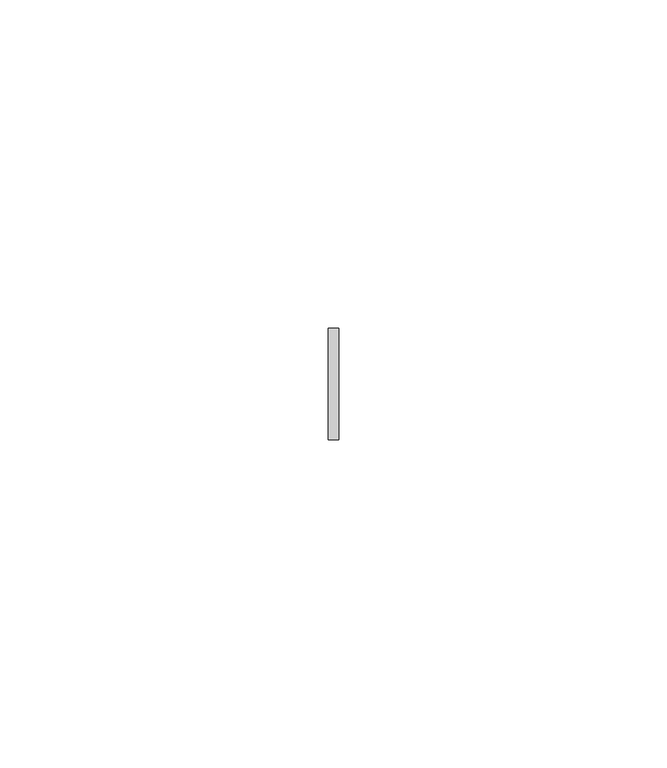
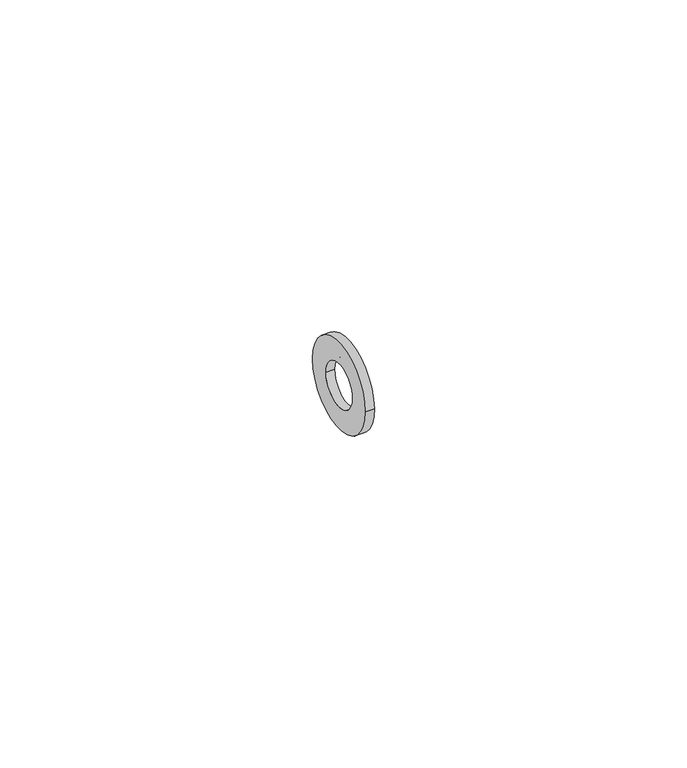
"""IFC4 building model written with IfcOpenShell, lengths in millimetres: proxy geometry."""

from ifc_helpers import new_model, si_unit, point, frame, origin, origin_2d, place, context, project, spatial, circle_curve, trimmed, segment, composite_curve, outline, extrude, source, transform, mapped, element, save


def generic_models_95f5ed1d(model_context):
    return source(origin(), model_context, "Body", "SweptSolid", [
        extrude(outline(composite_curve([segment(trimmed(circle_curve(origin_2d(), 8.5), [point((8.5, 0.0))], [point((-8.5, 0.0))], False, "CARTESIAN"), True, "CONTINUOUS"), segment(trimmed(circle_curve(origin_2d(), 8.5), [point((-8.5, 0.0))], [point((8.5, 0.0))], False, "CARTESIAN"), True, "CONTINUOUS")], self_intersect=False), holes=[composite_curve([segment(trimmed(circle_curve(origin_2d(), 4.2), [point((4.2, 0.0))], [point((-4.2, 0.0))], True, "CARTESIAN"), True, "CONTINUOUS"), segment(trimmed(circle_curve(origin_2d(), 4.2), [point((-4.2, 0.0))], [point((4.2, 0.0))], True, "CARTESIAN"), True, "CONTINUOUS")], self_intersect=False)]), frame((0.0, 0.0, 0.0), z_axis=(1.0, 0.0, 0.0), x_axis=(0.0, 1.0, 0.0)), (0.0, 0.0, 1.0), 1.6),
    ])


if __name__ == "__main__":
    model = new_model("IFC4")
    model_context = context("Model", 3, world=origin())
    ifc_project = project(units=[si_unit("LENGTHUNIT", "METRE", prefix="MILLI")], contexts=[model_context])
    site = spatial("IfcSite", under=ifc_project)
    building = spatial("IfcBuilding", under=site)
    placement = place(None, origin())
    generic_models_shape = generic_models_95f5ed1d(model_context)
    element("IfcBuildingElementProxy", 1, Name="Generic Models", at=placement, inside=building, context=model_context, shape_type="MappedRepresentation", body=[
        mapped(generic_models_shape, transform((0.0, 0.0, 0.0), x_axis=(1.0, 0.0, 0.0), y_axis=(0.0, 1.0, 0.0), z_axis=(0.0, 0.0, 1.0))),
    ])
    save(model, "model.ifc")
